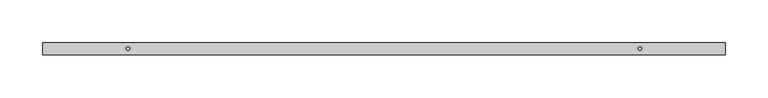
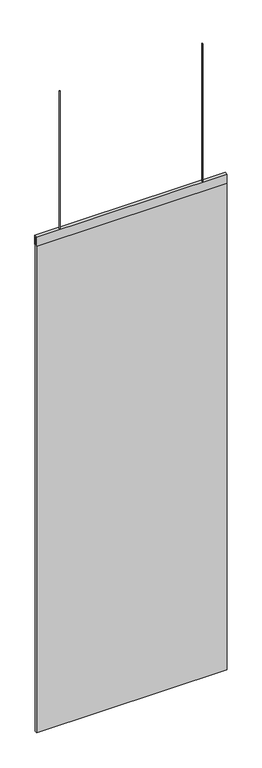
"""IFC4 building model written with IfcOpenShell, lengths in millimetres: furniture geometry."""

from ifc_helpers import new_model, si_unit, point, frame, frame_2d, origin, place, context, project, spatial, polyline, circle_curve, trimmed, segment, composite_curve, outline, extrude, source, transform, mapped, element, save


def furniture_773afb5c(model_context):
    return source(origin(), model_context, "Body", "SweptSolid", [
        extrude(outline(composite_curve([segment(trimmed(circle_curve(frame_2d((520.5212419, 44.45)), 2.0), [point((518.5212419, 44.45))], [point((522.5212419, 44.45))], False, "CARTESIAN"), True, "CONTINUOUS"), segment(trimmed(circle_curve(frame_2d((520.5212419, 44.45)), 2.0), [point((522.5212419, 44.45))], [point((518.5212419, 44.45))], False, "CARTESIAN"), True, "CONTINUOUS")], self_intersect=False)), frame((0.0, 0.0, 2499.0754691), z_axis=(0.0, 0.0, 1.0), x_axis=(1.0, 0.0, 0.0)), (0.0, 0.0, 1.0), 610.4401559),
        extrude(outline(composite_curve([segment(trimmed(circle_curve(frame_2d((1120.5240017, 44.45)), 2.0), [point((1118.5240017, 44.45))], [point((1122.5240017, 44.45))], False, "CARTESIAN"), True, "CONTINUOUS"), segment(trimmed(circle_curve(frame_2d((1120.5240017, 44.45)), 2.0), [point((1122.5240017, 44.45))], [point((1118.5240017, 44.45))], False, "CARTESIAN"), True, "CONTINUOUS")], self_intersect=False)), frame((0.0, 0.0, 2499.0754691), z_axis=(0.0, 0.0, 1.0), x_axis=(1.0, 0.0, 0.0)), (0.0, 0.0, 1.0), 610.4401559),
        extrude(outline(polyline([(50.45, 2459.9289107), (50.45, 2499.0754691), (38.45, 2499.0754691), (38.45, 2460.037625), (37.4499997, 2460.037625), (37.4499997, 2499.915625), (51.4500003, 2499.915625), (51.4500003, 2459.9289107), (50.45, 2459.9289107)])), frame((420.5244133, 0.0, 0.0), z_axis=(1.0, 0.0, 0.0), x_axis=(0.0, 1.0, 0.0)), (0.0, 0.0, 1.0), 800.1),
        extrude(outline(polyline([(1220.6244133, 50.45), (1220.6244133, 38.45), (420.5244133, 38.45), (420.5244133, 50.45), (1220.6244133, 50.45)])), frame((0.0, 0.0, 300.0375), z_axis=(0.0, 0.0, 1.0), x_axis=(1.0, 0.0, 0.0)), (0.0, 0.0, 1.0), 2199.0379691),
    ])


if __name__ == "__main__":
    model = new_model("IFC4")
    model_context = context("Model", 3, world=origin())
    ifc_project = project(units=[si_unit("LENGTHUNIT", "METRE", prefix="MILLI")], contexts=[model_context])
    site = spatial("IfcSite", under=ifc_project)
    building = spatial("IfcBuilding", under=site)
    placement = place(None, origin())
    furniture_shape = furniture_773afb5c(model_context)
    element("IfcFurniture", 1, at=placement, inside=building, context=model_context, shape_type="MappedRepresentation", body=[
        mapped(furniture_shape, transform((0.0, 0.0, 0.0), x_axis=(1.0, 0.0, 0.0), y_axis=(0.0, 1.0, 0.0), z_axis=(0.0, 0.0, 1.0))),
    ])
    save(model, "model.ifc")
